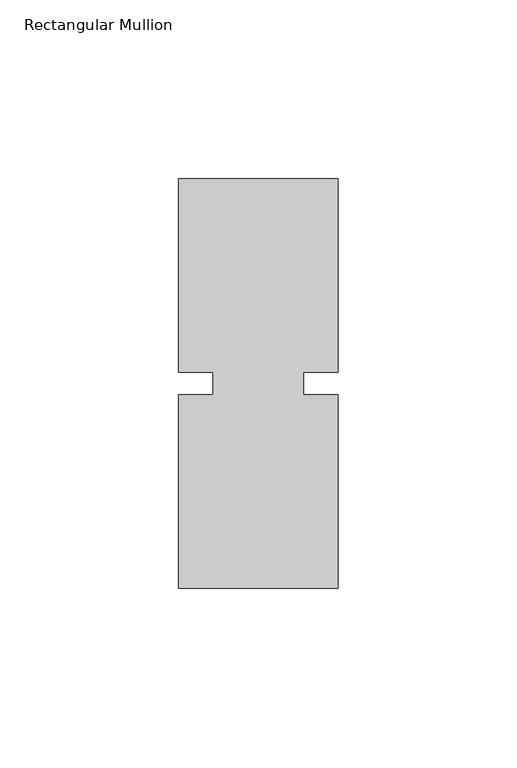
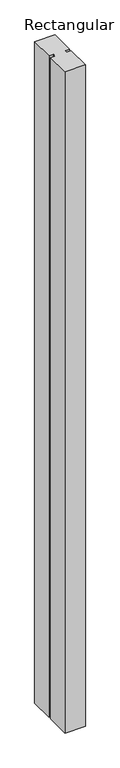
"""IFC4 building model written with IfcOpenShell, lengths in millimetres: member geometry, Rectangular Mullion."""

from ifc_helpers import new_model, si_unit, frame, origin, place, context, project, spatial, polyline, outline, extrude, source, transform, mapped, element, save


def rectangular_mullion_ca581047(model_context):
    return source(origin(), model_context, "Body", "SweptSolid", [
        extrude(outline(polyline([(-22.225, 57.1445854), (22.225, 57.1445854), (22.225, 3.175), (12.7, 3.175), (12.7, -3.175), (22.225, -3.175), (22.225, -57.1503346), (-22.225, -57.1503346), (-22.225, -3.175), (-12.7, -3.175), (-12.7, 3.175), (-22.225, 3.175), (-22.225, 57.1445854)])), frame((0.0, 0.0, -1524.0), z_axis=(0.0, 0.0, 1.0), x_axis=(1.0, 0.0, 0.0)), (0.0, 0.0, 1.0), 1524.0),
    ])


if __name__ == "__main__":
    model = new_model("IFC4")
    model_context = context("Model", 3, world=origin())
    ifc_project = project(units=[si_unit("LENGTHUNIT", "METRE", prefix="MILLI")], contexts=[model_context])
    site = spatial("IfcSite", under=ifc_project)
    building = spatial("IfcBuilding", under=site)
    placement = place(None, origin())
    rectangular_mullion_shape = rectangular_mullion_ca581047(model_context)
    element("IfcMember", 1, ObjectType="Rectangular Mullion", at=placement, inside=building, context=model_context, shape_type="MappedRepresentation", body=[
        mapped(rectangular_mullion_shape, transform((0.0, 0.0, 0.0), x_axis=(1.0, 0.0, 0.0), y_axis=(0.0, 1.0, 0.0), z_axis=(0.0, 0.0, 1.0))),
    ])
    save(model, "model.ifc")
